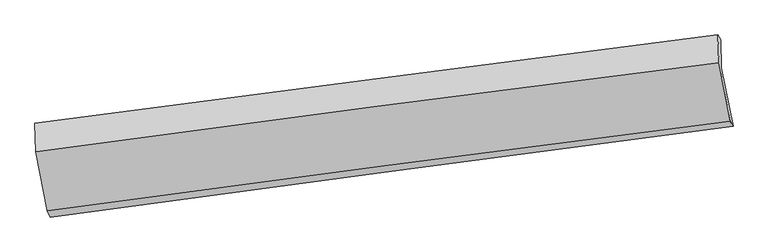
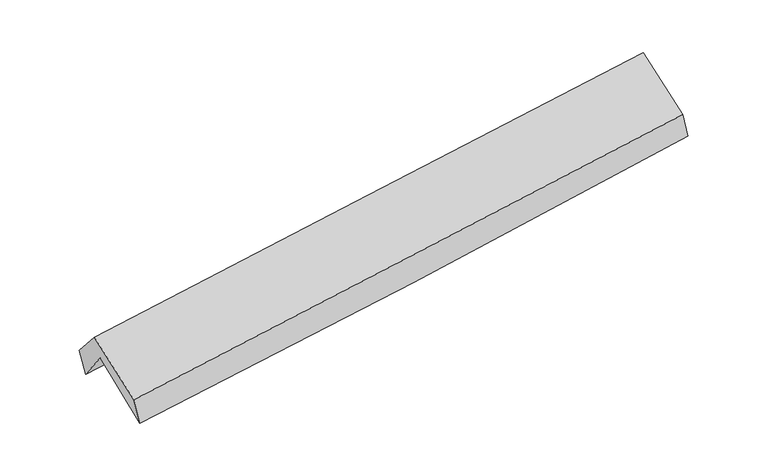
"""IFC4 building model written with IfcOpenShell, lengths in millimetres: proxy geometry."""

import ifcopenshell
import ifcopenshell.guid

model = None  # the IFC model being written
_history = None  # IfcOwnerHistory: only IFC2X3 demands one
_inside = {}  # id of a spatial element -> (the spatial element, [elements in it])
_under = {}  # id of a project, library or spatial element -> (it, [spatial elements below it])
_declared = {}  # id of a project -> (the project, [libraries it declares])
_typed = {}  # id of a type object -> (the type object, [elements of that type])
_made_of = {}  # id of a material, layer set ... -> (it, [elements and type objects made of it])


def new_model(schema):
    """Start an empty IFC model of exactly this schema.

    Asked for "IFC4X3", IfcOpenShell would pick the latest addendum, in which some entities
    have other attributes; the version numbers below select the first issue.
    IFC2X3 requires an IfcOwnerHistory on every rooted entity: one is made here for all.
    """
    global model, _history
    if schema == "IFC4X3":
        model = ifcopenshell.file(schema_version=(4, 3, 0, 0))
    else:
        model = ifcopenshell.file(schema=schema)
    _inside.clear()
    _under.clear()
    _declared.clear()
    _typed.clear()
    _made_of.clear()
    _history = None
    if model.schema == "IFC2X3":
        org = make("IfcOrganization", Name="unknown")
        user = make(
            "IfcPersonAndOrganization",
            ThePerson=make("IfcPerson", FamilyName="unknown"),
            TheOrganization=org,
        )
        app = make(
            "IfcApplication",
            ApplicationDeveloper=org,
            Version="unknown",
            ApplicationFullName="unknown",
            ApplicationIdentifier="unknown",
        )
        _history = make(
            "IfcOwnerHistory",
            OwningUser=user,
            OwningApplication=app,
            ChangeAction="ADDED",
            CreationDate=0,
        )
    return model


def make(cls, **values):
    """One entity of the class cls with the attributes given. An attribute that is None is left unset."""
    return model.create_entity(
        cls, **{name: value for name, value in values.items() if value is not None}
    )


def rooted(cls, **values):
    """An entity with a GlobalId (a new one), such as an element, a storey or a relation."""
    return make(cls, GlobalId=ifcopenshell.guid.new(), OwnerHistory=_history, **values)


def si_unit(unit_type, name, prefix=None):
    """IfcSIUnit, for example si_unit("LENGTHUNIT", "METRE", prefix="MILLI")."""
    return make("IfcSIUnit", UnitType=unit_type, Prefix=prefix, Name=name)


def assignment(units):
    """IfcUnitAssignment: the units of a project."""
    return None if units is None else make("IfcUnitAssignment", Units=units)


def point(xyz):
    """IfcCartesianPoint."""
    return None if xyz is None else make("IfcCartesianPoint", Coordinates=xyz)


def direction(xyz):
    """IfcDirection."""
    return None if xyz is None else make("IfcDirection", DirectionRatios=xyz)


def frame(location, z_axis=None, x_axis=None):
    """IfcAxis2Placement3D, a coordinate frame: its origin and axes. An axis left out is left unset."""
    return make(
        "IfcAxis2Placement3D",
        Location=point(location),
        Axis=direction(z_axis),
        RefDirection=direction(x_axis),
    )


def origin():
    """The frame at (0, 0, 0) with its axes left unset."""
    return frame((0.0, 0.0, 0.0))


def place(relative_to, where):
    """IfcLocalPlacement: puts the frame where relative to a parent placement (None: the world)."""
    return make(
        "IfcLocalPlacement", PlacementRelTo=relative_to, RelativePlacement=where
    )


def context(
    kind, dimensions, precision=None, world=None, true_north=None, identifier=None
):
    """IfcGeometricRepresentationContext, for example the 3D "Model" context."""
    return make(
        "IfcGeometricRepresentationContext",
        ContextIdentifier=identifier,
        ContextType=kind,
        CoordinateSpaceDimension=dimensions,
        Precision=precision,
        WorldCoordinateSystem=world,
        TrueNorth=true_north,
    )


def project(units=None, contexts=None):
    """IfcProject with its units and contexts."""
    return rooted(
        "IfcProject",
        Name="project",
        RepresentationContexts=contexts,
        UnitsInContext=assignment(units),
    )


def spatial(cls, under=None, at=None, **own):
    """A site, building, storey or space (cls), placed at a placement, below another one or the project."""
    s = rooted(cls, ObjectPlacement=at, **own)
    if under is not None:
        _under.setdefault(under.id(), (under, []))[1].append(s)
    return s


def shape(context_of_items, identifier, shape_type, items):
    """IfcShapeRepresentation: the items that make up one representation, for example the "Body"."""
    return make(
        "IfcShapeRepresentation",
        ContextOfItems=context_of_items,
        RepresentationIdentifier=identifier,
        RepresentationType=shape_type,
        Items=items,
    )


def source(mapping_origin, context_of_items, identifier, shape_type, items):
    """IfcRepresentationMap: a shape defined once, which mapped items show again and again."""
    return make(
        "IfcRepresentationMap",
        MappingOrigin=mapping_origin,
        MappedRepresentation=shape(context_of_items, identifier, shape_type, items),
    )


def transform(
    local_origin,
    x_axis=None,
    y_axis=None,
    z_axis=None,
    scale=None,
    scale2=None,
    scale3=None,
    uniform=True,
):
    """IfcCartesianTransformationOperator3D, or its non-uniform kind. x_axis, y_axis, z_axis: its Axis1, 2, 3."""
    if uniform:
        return make(
            "IfcCartesianTransformationOperator3D",
            Axis1=direction(x_axis),
            Axis2=direction(y_axis),
            LocalOrigin=point(local_origin),
            Scale=scale,
            Axis3=direction(z_axis),
        )
    return make(
        "IfcCartesianTransformationOperator3DnonUniform",
        Axis1=direction(x_axis),
        Axis2=direction(y_axis),
        LocalOrigin=point(local_origin),
        Scale=scale,
        Axis3=direction(z_axis),
        Scale2=scale2,
        Scale3=scale3,
    )


def mapped(mapping_source, mapping_target):
    """IfcMappedItem: shows the shape of a source again, moved by a transform."""
    return make(
        "IfcMappedItem", MappingSource=mapping_source, MappingTarget=mapping_target
    )


def made_of(thing, what):
    """Note that an element or type object is made of a material, layer set ...; save() writes the relation."""
    if what is not None:
        _made_of.setdefault(what.id(), (what, []))[1].append(thing)
    return thing


def element(
    cls,
    number,
    at=None,
    inside=None,
    cuts=None,
    type_object=None,
    material=None,
    context=None,
    identifier="Body",
    shape_type=None,
    held_by="IfcProductDefinitionShape",
    body=None,
    shapes=None,
    **own,
):
    """One element of the class cls, such as IfcWall. Its Tag is "e" and its number.

    at: its placement. inside: the storey or other place that contains it. cuts: it is an
    opening in that element (IfcRelVoidsElement). A single representation is given by context,
    identifier, shape_type and body (its items); several are given by shapes. held_by: the class
    of the entity that holds the representations. save() writes the other relations.
    """
    e = rooted(cls, Tag="e%d" % number, ObjectPlacement=at, **own)
    if body is not None:
        shapes = [shape(context, identifier, shape_type, body)]
    if shapes is not None:
        e.Representation = make(held_by, Representations=shapes)
    if inside is not None:
        _inside.setdefault(inside.id(), (inside, []))[1].append(e)
    if cuts is not None:
        rooted(
            "IfcRelVoidsElement", RelatingBuildingElement=cuts, RelatedOpeningElement=e
        )
    if type_object is not None:
        _typed.setdefault(type_object.id(), (type_object, []))[1].append(e)
    return made_of(e, material)


def aggregate(whole, parts):
    """IfcRelAggregates: a whole, such as a stair, and the parts it consists of."""
    return rooted("IfcRelAggregates", RelatingObject=whole, RelatedObjects=parts)


def save(model, path):
    """Write the relations noted so far, then the file.

    IfcRelAggregates (storeys below a building ...), IfcRelContainedInSpatialStructure (elements
    in a storey), IfcRelDefinesByType, IfcRelAssociatesMaterial and IfcRelDeclares: one each for
    every whole, place, type object, material and project.
    """
    for whole, parts in _under.values():
        aggregate(whole, parts)
    for where, things in _inside.values():
        rooted(
            "IfcRelContainedInSpatialStructure",
            RelatedElements=things,
            RelatingStructure=where,
        )
    for kind, things in _typed.values():
        rooted("IfcRelDefinesByType", RelatedObjects=things, RelatingType=kind)
    for what, things in _made_of.values():
        rooted("IfcRelAssociatesMaterial", RelatedObjects=things, RelatingMaterial=what)
    for by, libraries in _declared.values():
        rooted("IfcRelDeclares", RelatingContext=by, RelatedDefinitions=libraries)
    model.write(path)


def plane_surface(at):
    """IfcPlane: the flat surface through the origin of the frame at, square to its z axis."""
    return make("IfcPlane", Position=at)


def spline_curve(degree, points, multiplicities, knots, weights=None):
    """IfcBSplineCurveWithKnots; with weights, IfcRationalBSplineCurveWithKnots."""
    own = dict(
        Degree=degree,
        ControlPointsList=[point(p) for p in points],
        CurveForm="UNSPECIFIED",
        ClosedCurve=False,
        SelfIntersect=False,
        KnotMultiplicities=multiplicities,
        Knots=knots,
        KnotSpec="UNSPECIFIED",
    )
    if weights is None:
        return make("IfcBSplineCurveWithKnots", **own)
    return make("IfcRationalBSplineCurveWithKnots", WeightsData=weights, **own)


def spline_surface(u_degree, v_degree, points, u_multiplicities, v_multiplicities, u_knots, v_knots, weights=None):
    """IfcBSplineSurfaceWithKnots; with weights, IfcRationalBSplineSurfaceWithKnots. points: one row for each step in u."""
    own = dict(
        UDegree=u_degree,
        VDegree=v_degree,
        ControlPointsList=[[point(p) for p in row] for row in points],
        SurfaceForm="UNSPECIFIED",
        UClosed=False,
        VClosed=False,
        SelfIntersect=False,
        UMultiplicities=u_multiplicities,
        VMultiplicities=v_multiplicities,
        UKnots=u_knots,
        VKnots=v_knots,
        KnotSpec="UNSPECIFIED",
    )
    if weights is None:
        return make("IfcBSplineSurfaceWithKnots", **own)
    return make("IfcRationalBSplineSurfaceWithKnots", WeightsData=weights, **own)


def advanced_brep(points, edges, surfaces, faces):
    """IfcAdvancedBrep: a solid bounded by faces that lie on surfaces and meet in shared edges.

    An edge is (start, end): straight between two places in points (the first is 0);
    or (start, end, curve); or (start, end, curve, False) where it runs against its curve.
    A face is (place in surfaces, loops), or (place, loops, False) where it looks against
    its surface's normal. A loop lists edges by number (the first is 1), with a minus sign
    where the edge is run from its end to its start. The first loop is the outer one.
    """
    corners = [point(p) for p in points]
    vertices = [make("IfcVertexPoint", VertexGeometry=c) for c in corners]
    made = []
    for start, end, *more in edges:
        made.append(
            make(
                "IfcEdgeCurve",
                EdgeStart=vertices[start],
                EdgeEnd=vertices[end],
                EdgeGeometry=more[0] if more else make("IfcPolyline", Points=[corners[start], corners[end]]),
                SameSense=more[1] if len(more) > 1 else True,
            )
        )
    hull = []
    for where, loops, *sense in faces:
        bounds = []
        for j, loop in enumerate(loops):
            ring = [make("IfcOrientedEdge", EdgeElement=made[abs(k) - 1], Orientation=k > 0) for k in loop]
            bounds.append(
                make(
                    "IfcFaceOuterBound" if j == 0 else "IfcFaceBound",
                    Bound=make("IfcEdgeLoop", EdgeList=ring),
                    Orientation=True,
                )
            )
        hull.append(make("IfcAdvancedFace", Bounds=bounds, FaceSurface=surfaces[where], SameSense=sense[0] if sense else True))
    return make("IfcAdvancedBrep", Outer=make("IfcClosedShell", CfsFaces=hull))


def generic_models_78dad8e5(model_context):
    return source(origin(), model_context, "Body", "AdvancedBrep", [
        advanced_brep(
        [(-2926.1011629, -2503.1289636, 1450.6315222), (-3027.5580957, -1989.9165108, 1873.4569176), (2972.4562652, -1189.2898273, 2347.8280712), (3075.2547365, -1707.1291788, 1939.2961754), (-3034.0380102, -1742.8654531, 1552.6201744), (2965.9999849, -945.4166521, 2032.0672698), (-3060.7014936, -1677.4840045, 1776.554689), (2941.7623404, -902.5057519, 2256.3060035), (-3051.2274044, -1927.2450751, 2064.7253214), (2951.0588219, -1145.0253909, 2535.4807698), (-2951.7428495, -2446.9077552, 1676.7873934), (3051.8899896, -1662.119543, 2149.5723492)],
        [
            (0, 1),
            (1, 2, spline_curve(3, [(-3027.5580957, -1989.9165108, 1873.4569176), (-2026.780685583, -1852.280819789, 1937.832825909), (-1026.317327747, -1716.734583521, 2009.558600815), (973.687274386, -1449.860250405, 2167.686639572), (1973.228703938, -1318.530926007, 2254.084582227), (2972.4562652, -1189.2898273, 2347.8280712)], [4, 2, 4], [0.0, 9.963609872340415, 19.92429079937569])),
            (2, 3),
            (3, 0, spline_curve(3, [(3075.2547365, -1707.1291788, 1939.2961754), (2076.396725133, -1835.991725148, 1836.794771003), (1076.928336255, -1966.746284154, 1744.826451994), (-923.523271327, -2232.078432665, 1581.932038717), (-1924.506848698, -2366.657135475, 1511.012140188), (-2926.1011629, -2503.1289636, 1450.6315222)], [4, 2, 4], [0.0, 9.960680927035275, 19.92429079937569])),
            (1, 4),
            (4, 5, spline_curve(3, [(-3034.0380102, -1742.8654531, 1552.6201744), (-2033.315878447, -1604.742585358, 1616.926436782), (-1032.878185595, -1469.217697676, 1689.040513473), (967.134312073, -1203.402957685, 1848.860801546), (1966.709284443, -1073.111578501, 1936.562423353), (2965.9999849, -945.4166521, 2032.0672698)], [4, 2, 4], [0.0, 9.961998400743541, 19.92106832989701])),
            (5, 2),
            (4, 6),
            (6, 7, spline_curve(3, [(-3060.7014936, -1677.4840045, 1776.554689), (-2059.067076087, -1546.677685489, 1840.315406541), (-1057.971095111, -1416.683630563, 1912.182109971), (942.849866343, -1158.358024068, 2072.103979715), (1942.575163211, -1030.025994621, 2160.154381267), (2941.7623404, -902.5057519, 2256.3060035)], [4, 2, 4], [0.0, 9.961601532084522, 19.920274709244183])),
            (7, 5),
            (6, 8),
            (8, 9, spline_curve(3, [(-3051.2274044, -1927.2450751, 2064.7253214), (-2051.114699419, -1791.642210368, 2139.443542829), (-1050.794267635, -1658.646605162, 2216.03831707), (949.967929905, -1397.908243153, 2372.957903164), (1950.409573624, -1270.163953617, 2453.281611776), (2951.0588219, -1145.0253909, 2535.4807698)], [4, 2, 4], [0.0, 9.961067646729692, 19.919207095477738])),
            (9, 7),
            (8, 10),
            (10, 11, spline_curve(3, [(-2951.7428495, -2446.9077552, 1676.7873934), (-1951.041016405, -2312.448173285, 1750.156305469), (-950.31381305, -2179.810018507, 1826.245699633), (1050.89714795, -1918.215018337, 1983.84228388), (2051.380891217, -1789.257102448, 2065.347875319), (3051.8899896, -1662.119543, 2149.5723492)], [4, 2, 4], [0.0, 9.962528785700892, 19.922128943897487])),
            (11, 9),
            (10, 0),
            (3, 11),
        ],
        [
            spline_surface(3, 3, [[(-2926.1011629, -2503.1289636, 1450.6315222), (-1924.506848706, -2366.657135339, 1511.012140028), (-923.523271272, -2232.078432791, 1581.932038763), (1076.928336199, -1966.746284028, 1744.826451948), (2076.39672519, -1835.991725019, 1836.79477091), (3075.2547365, -1707.1291788, 1939.2961754)], [(-2959.920140496, -2332.058146, 1591.573320684), (-1958.59812764, -2195.198363534, 1653.285701989), (-957.787956778, -2060.297149646, 1724.474226176), (1042.514648988, -1794.450939504, 1885.779847775), (2042.007384709, -1663.504791984, 1975.891374655), (3040.988579383, -1534.516061649, 2075.473473997)], [(-2993.739118104, -2160.9873284, 1732.515119116), (-1992.689406587, -2023.73959173, 1795.559263898), (-992.052642351, -1888.515866559, 1867.016413567), (1008.100961708, -1622.155595036, 2026.73324358), (2007.618044279, -1491.017858902, 2114.987978409), (3006.722422317, -1361.902944451, 2211.650772603)], [(-3027.5580957, -1989.9165108, 1873.4569176), (-2026.780685522, -1852.280819925, 1937.832825858), (-1026.317327857, -1716.734583414, 2009.55860098), (973.687274497, -1449.860250511, 2167.686639406), (1973.228703798, -1318.530925866, 2254.084582155), (2972.4562652, -1189.2898273, 2347.8280712)]], [4, 4], [4, 2, 4], [0.0, 2.219893774189803], [0.0, 9.963609872340415, 19.92429079937569]),
            spline_surface(3, 3, [[(-3027.5580957, -1989.9165108, 1873.4569176), (-2026.780685522, -1852.280819925, 1937.832825858), (-1026.317327857, -1716.734583414, 2009.55860098), (973.687274497, -1449.860250511, 2167.686639406), (1973.228703798, -1318.530925866, 2254.084582155), (2972.4562652, -1189.2898273, 2347.8280712)], [(-3029.718067185, -1907.566158231, 1766.511336526), (-2028.95908313, -1769.768075062, 1830.864029454), (-1028.504280475, -1634.22895481, 1902.719238458), (971.502953702, -1367.707819608, 2061.411360152), (1971.055564033, -1236.724476761, 2148.243862552), (2970.304171776, -1107.9987689, 2242.574470727)], [(-3031.878038715, -1825.215805669, 1659.565755474), (-2031.137480783, -1687.255330206, 1723.895233072), (-1030.691233054, -1551.723326185, 1795.879875918), (969.318632945, -1285.555388684, 1955.136080879), (1968.882424241, -1154.918027654, 2042.403142966), (2968.152078324, -1026.7077105, 2137.320870273)], [(-3034.0380102, -1742.8654531, 1552.6201744), (-2033.315878392, -1604.742585343, 1616.926436667), (-1032.878185672, -1469.217697581, 1689.040513396), (967.13431215, -1203.40295778, 1848.860801624), (1966.709284476, -1073.111578548, 1936.562423363), (2965.9999849, -945.4166521, 2032.0672698)]], [4, 4], [4, 2, 4], [0.0, 1.325540584981261], [0.0, 9.961998400743541, 19.92106832989701]),
            spline_surface(3, 3, [[(-3034.0380102, -1742.8654531, 1552.6201744), (-2033.315878392, -1604.742585343, 1616.926436667), (-1032.878185672, -1469.217697581, 1689.040513396), (967.13431215, -1203.40295778, 1848.860801624), (1966.709284476, -1073.111578548, 1936.562423363), (2965.9999849, -945.4166521, 2032.0672698)], [(-3042.925838007, -1721.071636895, 1627.265012588), (-2041.899611001, -1585.38761873, 1691.389426596), (-1041.242488806, -1451.706341931, 1763.421045576), (959.039496906, -1188.387979827, 1923.275194354), (1958.664577415, -1058.749717234, 2011.093075964), (2957.920770071, -931.113018704, 2106.813514357)], [(-3051.813665793, -1699.277820705, 1701.909850812), (-2050.48334359, -1566.032652131, 1765.852416562), (-1049.606791995, -1434.194986321, 1837.801577725), (950.944681606, -1173.373001913, 1997.689587051), (1950.61987034, -1044.387855909, 2085.623728595), (2949.841555229, -916.809385296, 2181.559758943)], [(-3060.7014936, -1677.4840045, 1776.554689), (-2059.067076199, -1546.677685517, 1840.31540649), (-1057.971095129, -1416.683630671, 1912.182109906), (942.849866361, -1158.35802396, 2072.103979781), (1942.57516328, -1030.025994594, 2160.154381195), (2941.7623404, -902.5057519, 2256.3060035)]], [4, 4], [4, 2, 4], [0.0, 0.7539145540609731], [0.0, 9.961601532084522, 19.920274709244183]),
            spline_surface(3, 3, [[(-3060.7014936, -1677.4840045, 1776.554689), (-2059.067076199, -1546.677685517, 1840.31540649), (-1057.971095129, -1416.683630671, 1912.182109906), (942.849866361, -1158.35802396, 2072.103979781), (1942.57516328, -1030.025994594, 2160.154381195), (2941.7623404, -902.5057519, 2256.3060035)], [(-3057.54346386, -1760.737694697, 1872.611566468), (-2056.416283926, -1628.332527162, 1940.024785312), (-1055.578819307, -1497.337955536, 2013.467512297), (945.222554198, -1238.208097039, 2172.388620858), (1945.186633373, -1110.071980943, 2257.863458029), (2944.861167557, -983.345631566, 2349.364258948)], [(-3054.38543414, -1843.991384903, 1968.668443932), (-2053.765491674, -1709.987368816, 2039.73416413), (-1053.186543454, -1577.992280327, 2114.75291476), (947.595242064, -1318.058170044, 2272.673262006), (1947.798103494, -1190.117967295, 2355.572534819), (2947.959994743, -1064.185511234, 2442.422514352)], [(-3051.2274044, -1927.2450751, 2064.7253214), (-2051.114699401, -1791.642210461, 2139.443542951), (-1050.794267632, -1658.646605192, 2216.038317151), (949.967929902, -1397.908243123, 2372.957903083), (1950.409573587, -1270.163953643, 2453.281611653), (2951.0588219, -1145.0253909, 2535.4807698)]], [4, 4], [4, 2, 4], [0.0, 1.2682635976279881], [0.0, 9.961067646729692, 19.919207095477738]),
            spline_surface(3, 3, [[(-3051.2274044, -1927.2450751, 2064.7253214), (-2051.114699401, -1791.642210461, 2139.443542951), (-1050.794267632, -1658.646605192, 2216.038317151), (949.967929902, -1397.908243123, 2372.957903083), (1950.409573587, -1270.163953643, 2453.281611653), (2951.0588219, -1145.0253909, 2535.4807698)], [(-3018.065886104, -2100.465968473, 1935.41267873), (-2017.756805072, -1965.24419806, 2009.681130488), (-1017.300782809, -1832.367742915, 2086.107444631), (983.611002642, -1571.343834861, 2243.252696747), (1984.066679485, -1443.195003255, 2323.970366191), (2984.669211149, -1317.390108264, 2406.844629583)], [(-2984.904367796, -2273.686861827, 1806.10003607), (-1984.398910732, -2138.846185642, 1879.918718037), (-983.807298016, -2006.088880711, 1956.176572034), (1017.254075354, -1744.779426672, 2113.547490334), (2017.723785337, -1616.226052876, 2194.65912078), (3018.279600351, -1489.754825636, 2278.208489417)], [(-2951.7428495, -2446.9077552, 1676.7873934), (-1951.041016404, -2312.448173242, 1750.156305574), (-950.313813194, -2179.810018434, 1826.245699515), (1050.897148094, -1918.21501841, 1983.842283998), (2051.380891235, -1789.257102488, 2065.347875318), (3051.8899896, -1662.119543, 2149.5723492)]], [4, 4], [4, 2, 4], [0.0, 2.1588355505118177], [0.0, 9.962528785700892, 19.922128943897487]),
            spline_surface(3, 3, [[(-2951.7428495, -2446.9077552, 1676.7873934), (-1951.041016404, -2312.448173242, 1750.156305574), (-950.313813194, -2179.810018434, 1826.245699515), (1050.897148094, -1918.21501841, 1983.842283998), (2051.380891235, -1789.257102488, 2065.347875318), (3051.8899896, -1662.119543, 2149.5723492)], [(-2943.195620649, -2465.648158004, 1601.402103005), (-1942.196293853, -2330.517827279, 1670.44158373), (-941.383632581, -2197.232823244, 1744.807812572), (1059.574210768, -1934.392106974, 1904.170339956), (2059.71950255, -1804.835309983, 1989.163507203), (3059.678238564, -1677.122754918, 2079.480291287)], [(-2934.648391751, -2484.388560796, 1526.016812595), (-1933.351571256, -2348.587481302, 1590.726861872), (-932.453451884, -2214.65562798, 1663.369925706), (1068.251273526, -1950.569195464, 1824.49839599), (2068.058113874, -1820.413517524, 1912.979139026), (3067.466487536, -1692.125966882, 2009.388233313)], [(-2926.1011629, -2503.1289636, 1450.6315222), (-1924.506848706, -2366.657135339, 1511.012140028), (-923.523271272, -2232.078432791, 1581.932038763), (1076.928336199, -1966.746284028, 1744.826451948), (2076.39672519, -1835.991725019, 1836.79477091), (3075.2547365, -1707.1291788, 1939.2961754)]], [4, 4], [4, 2, 4], [0.0, 0.8145471497632119], [0.0, 9.964563017023599, 19.926196808551573]),
            plane_surface(frame((2993.0703564, -1258.5810573, 2210.0917731), z_axis=(0.9879192536316901, 0.13176591263956042, 0.08156771769559273), x_axis=(0.15439960223088106, -0.7918100442871716, -0.590929451454988))),
            plane_surface(frame((-3008.5615027, -2047.9246271, 1732.4626696), z_axis=(-0.9883458144033843, -0.12960798853281716, -0.07983934155407421), x_axis=(-0.10937152488008962, 0.2398047913871767, 0.9646406230162384))),
        ],
        [
            (0, [[1, 2, 3, 4]]),
            (1, [[5, 6, 7, -2]]),
            (2, [[8, 9, 10, -6]]),
            (3, [[11, 12, 13, -9]]),
            (4, [[14, 15, 16, -12]]),
            (5, [[17, -4, 18, -15]]),
            (6, [[-16, -18, -3, -7, -10, -13]]),
            (7, [[-17, -14, -11, -8, -5, -1]]),
        ],
    ),
    ])


if __name__ == "__main__":
    model = new_model("IFC4")
    model_context = context("Model", 3, world=origin())
    ifc_project = project(units=[si_unit("LENGTHUNIT", "METRE", prefix="MILLI")], contexts=[model_context])
    site = spatial("IfcSite", under=ifc_project)
    building = spatial("IfcBuilding", under=site)
    placement = place(None, origin())
    generic_models_shape = generic_models_78dad8e5(model_context)
    element("IfcBuildingElementProxy", 1, Name="Generic Models", at=placement, inside=building, context=model_context, shape_type="MappedRepresentation", body=[
        mapped(generic_models_shape, transform((0.0, 0.0, 0.0), x_axis=(1.0, 0.0, 0.0), y_axis=(0.0, 1.0, 0.0), z_axis=(0.0, 0.0, 1.0))),
    ])
    save(model, "model.ifc")
